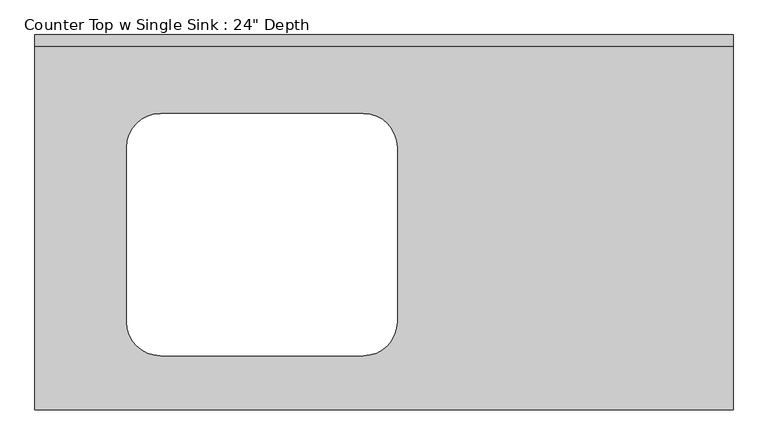
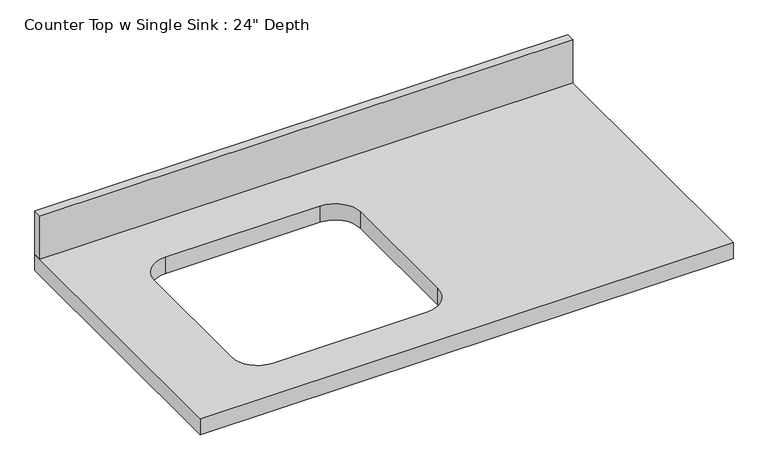
"""IFC4 building model written with IfcOpenShell, lengths in millimetres: furniture geometry."""

import ifcopenshell
import ifcopenshell.guid

model = None  # the IFC model being written
_history = None  # IfcOwnerHistory: only IFC2X3 demands one
_inside = {}  # id of a spatial element -> (the spatial element, [elements in it])
_under = {}  # id of a project, library or spatial element -> (it, [spatial elements below it])
_declared = {}  # id of a project -> (the project, [libraries it declares])
_typed = {}  # id of a type object -> (the type object, [elements of that type])
_made_of = {}  # id of a material, layer set ... -> (it, [elements and type objects made of it])


def new_model(schema):
    """Start an empty IFC model of exactly this schema.

    Asked for "IFC4X3", IfcOpenShell would pick the latest addendum, in which some entities
    have other attributes; the version numbers below select the first issue.
    IFC2X3 requires an IfcOwnerHistory on every rooted entity: one is made here for all.
    """
    global model, _history
    if schema == "IFC4X3":
        model = ifcopenshell.file(schema_version=(4, 3, 0, 0))
    else:
        model = ifcopenshell.file(schema=schema)
    _inside.clear()
    _under.clear()
    _declared.clear()
    _typed.clear()
    _made_of.clear()
    _history = None
    if model.schema == "IFC2X3":
        org = make("IfcOrganization", Name="unknown")
        user = make(
            "IfcPersonAndOrganization",
            ThePerson=make("IfcPerson", FamilyName="unknown"),
            TheOrganization=org,
        )
        app = make(
            "IfcApplication",
            ApplicationDeveloper=org,
            Version="unknown",
            ApplicationFullName="unknown",
            ApplicationIdentifier="unknown",
        )
        _history = make(
            "IfcOwnerHistory",
            OwningUser=user,
            OwningApplication=app,
            ChangeAction="ADDED",
            CreationDate=0,
        )
    return model


def make(cls, **values):
    """One entity of the class cls with the attributes given. An attribute that is None is left unset."""
    return model.create_entity(
        cls, **{name: value for name, value in values.items() if value is not None}
    )


def rooted(cls, **values):
    """An entity with a GlobalId (a new one), such as an element, a storey or a relation."""
    return make(cls, GlobalId=ifcopenshell.guid.new(), OwnerHistory=_history, **values)


def si_unit(unit_type, name, prefix=None):
    """IfcSIUnit, for example si_unit("LENGTHUNIT", "METRE", prefix="MILLI")."""
    return make("IfcSIUnit", UnitType=unit_type, Prefix=prefix, Name=name)


def assignment(units):
    """IfcUnitAssignment: the units of a project."""
    return None if units is None else make("IfcUnitAssignment", Units=units)


def point(xyz):
    """IfcCartesianPoint."""
    return None if xyz is None else make("IfcCartesianPoint", Coordinates=xyz)


def direction(xyz):
    """IfcDirection."""
    return None if xyz is None else make("IfcDirection", DirectionRatios=xyz)


def frame(location, z_axis=None, x_axis=None):
    """IfcAxis2Placement3D, a coordinate frame: its origin and axes. An axis left out is left unset."""
    return make(
        "IfcAxis2Placement3D",
        Location=point(location),
        Axis=direction(z_axis),
        RefDirection=direction(x_axis),
    )


def frame_2d(location, x_axis=None):
    """IfcAxis2Placement2D, a coordinate frame in the plane: its origin and x axis."""
    return make(
        "IfcAxis2Placement2D", Location=point(location), RefDirection=direction(x_axis)
    )


def origin():
    """The frame at (0, 0, 0) with its axes left unset."""
    return frame((0.0, 0.0, 0.0))


def place(relative_to, where):
    """IfcLocalPlacement: puts the frame where relative to a parent placement (None: the world)."""
    return make(
        "IfcLocalPlacement", PlacementRelTo=relative_to, RelativePlacement=where
    )


def context(
    kind, dimensions, precision=None, world=None, true_north=None, identifier=None
):
    """IfcGeometricRepresentationContext, for example the 3D "Model" context."""
    return make(
        "IfcGeometricRepresentationContext",
        ContextIdentifier=identifier,
        ContextType=kind,
        CoordinateSpaceDimension=dimensions,
        Precision=precision,
        WorldCoordinateSystem=world,
        TrueNorth=true_north,
    )


def project(units=None, contexts=None):
    """IfcProject with its units and contexts."""
    return rooted(
        "IfcProject",
        Name="project",
        RepresentationContexts=contexts,
        UnitsInContext=assignment(units),
    )


def spatial(cls, under=None, at=None, **own):
    """A site, building, storey or space (cls), placed at a placement, below another one or the project."""
    s = rooted(cls, ObjectPlacement=at, **own)
    if under is not None:
        _under.setdefault(under.id(), (under, []))[1].append(s)
    return s


def polyline(points):
    """IfcPolyline through the points."""
    return make("IfcPolyline", Points=[point(p) for p in points])


def circle_curve(where, radius):
    """IfcCircle in the frame where."""
    return make("IfcCircle", Position=where, Radius=radius)


def trimmed(basis, trim1, trim2, sense, master):
    """IfcTrimmedCurve: the piece of a basis curve between two trims."""
    return make(
        "IfcTrimmedCurve",
        BasisCurve=basis,
        Trim1=trim1,
        Trim2=trim2,
        SenseAgreement=sense,
        MasterRepresentation=master,
    )


def segment(curve, same_sense, transition):
    """IfcCompositeCurveSegment."""
    return make(
        "IfcCompositeCurveSegment",
        Transition=transition,
        SameSense=same_sense,
        ParentCurve=curve,
    )


def composite_curve(segments, self_intersect=None):
    """IfcCompositeCurve: segments joined end to end."""
    return make("IfcCompositeCurve", Segments=segments, SelfIntersect=self_intersect)


def outline(outer, holes=None, kind="AREA"):
    """IfcArbitraryClosedProfileDef: a profile drawn as a closed curve; with holes, ...WithVoids."""
    if holes is None:
        return make("IfcArbitraryClosedProfileDef", ProfileType=kind, OuterCurve=outer)
    return make(
        "IfcArbitraryProfileDefWithVoids",
        ProfileType=kind,
        OuterCurve=outer,
        InnerCurves=holes,
    )


def extrude(swept, where, along, depth):
    """IfcExtrudedAreaSolid: the profile swept, set in the frame where, extruded along a direction by depth."""
    return make(
        "IfcExtrudedAreaSolid",
        SweptArea=swept,
        Position=where,
        ExtrudedDirection=direction(along),
        Depth=depth,
    )


def shape(context_of_items, identifier, shape_type, items):
    """IfcShapeRepresentation: the items that make up one representation, for example the "Body"."""
    return make(
        "IfcShapeRepresentation",
        ContextOfItems=context_of_items,
        RepresentationIdentifier=identifier,
        RepresentationType=shape_type,
        Items=items,
    )


def source(mapping_origin, context_of_items, identifier, shape_type, items):
    """IfcRepresentationMap: a shape defined once, which mapped items show again and again."""
    return make(
        "IfcRepresentationMap",
        MappingOrigin=mapping_origin,
        MappedRepresentation=shape(context_of_items, identifier, shape_type, items),
    )


def transform(
    local_origin,
    x_axis=None,
    y_axis=None,
    z_axis=None,
    scale=None,
    scale2=None,
    scale3=None,
    uniform=True,
):
    """IfcCartesianTransformationOperator3D, or its non-uniform kind. x_axis, y_axis, z_axis: its Axis1, 2, 3."""
    if uniform:
        return make(
            "IfcCartesianTransformationOperator3D",
            Axis1=direction(x_axis),
            Axis2=direction(y_axis),
            LocalOrigin=point(local_origin),
            Scale=scale,
            Axis3=direction(z_axis),
        )
    return make(
        "IfcCartesianTransformationOperator3DnonUniform",
        Axis1=direction(x_axis),
        Axis2=direction(y_axis),
        LocalOrigin=point(local_origin),
        Scale=scale,
        Axis3=direction(z_axis),
        Scale2=scale2,
        Scale3=scale3,
    )


def mapped(mapping_source, mapping_target):
    """IfcMappedItem: shows the shape of a source again, moved by a transform."""
    return make(
        "IfcMappedItem", MappingSource=mapping_source, MappingTarget=mapping_target
    )


def made_of(thing, what):
    """Note that an element or type object is made of a material, layer set ...; save() writes the relation."""
    if what is not None:
        _made_of.setdefault(what.id(), (what, []))[1].append(thing)
    return thing


def element(
    cls,
    number,
    at=None,
    inside=None,
    cuts=None,
    type_object=None,
    material=None,
    context=None,
    identifier="Body",
    shape_type=None,
    held_by="IfcProductDefinitionShape",
    body=None,
    shapes=None,
    **own,
):
    """One element of the class cls, such as IfcWall. Its Tag is "e" and its number.

    at: its placement. inside: the storey or other place that contains it. cuts: it is an
    opening in that element (IfcRelVoidsElement). A single representation is given by context,
    identifier, shape_type and body (its items); several are given by shapes. held_by: the class
    of the entity that holds the representations. save() writes the other relations.
    """
    e = rooted(cls, Tag="e%d" % number, ObjectPlacement=at, **own)
    if body is not None:
        shapes = [shape(context, identifier, shape_type, body)]
    if shapes is not None:
        e.Representation = make(held_by, Representations=shapes)
    if inside is not None:
        _inside.setdefault(inside.id(), (inside, []))[1].append(e)
    if cuts is not None:
        rooted(
            "IfcRelVoidsElement", RelatingBuildingElement=cuts, RelatedOpeningElement=e
        )
    if type_object is not None:
        _typed.setdefault(type_object.id(), (type_object, []))[1].append(e)
    return made_of(e, material)


def aggregate(whole, parts):
    """IfcRelAggregates: a whole, such as a stair, and the parts it consists of."""
    return rooted("IfcRelAggregates", RelatingObject=whole, RelatedObjects=parts)


def save(model, path):
    """Write the relations noted so far, then the file.

    IfcRelAggregates (storeys below a building ...), IfcRelContainedInSpatialStructure (elements
    in a storey), IfcRelDefinesByType, IfcRelAssociatesMaterial and IfcRelDeclares: one each for
    every whole, place, type object, material and project.
    """
    for whole, parts in _under.values():
        aggregate(whole, parts)
    for where, things in _inside.values():
        rooted(
            "IfcRelContainedInSpatialStructure",
            RelatedElements=things,
            RelatingStructure=where,
        )
    for kind, things in _typed.values():
        rooted("IfcRelDefinesByType", RelatedObjects=things, RelatingType=kind)
    for what, things in _made_of.values():
        rooted("IfcRelAssociatesMaterial", RelatedObjects=things, RelatingMaterial=what)
    for by, libraries in _declared.values():
        rooted("IfcRelDeclares", RelatingContext=by, RelatedDefinitions=libraries)
    model.write(path)


def furniture_44c84f27(model_context):
    return source(origin(), model_context, "Body", "SweptSolid", [
        extrude(outline(polyline([(-19.3622951, 0.0), (-19.3622951, -635.0), (-1200.4622951, -635.0), (-1200.4622951, 0.0), (-19.3622951, 0.0)]), holes=[composite_curve([segment(trimmed(circle_curve(frame_2d((-987.8599952, -486.2327941)), 57.15), [point((-1045.0099952, -486.2327941))], [point((-987.8599952, -543.3827941))], True, "CARTESIAN"), True, "CONTINUOUS"), segment(polyline([(-987.8599952, -543.3827941), (-644.951314, -543.3827941)]), True, "CONTINUOUS"), segment(trimmed(circle_curve(frame_2d((-644.951314, -486.2327941)), 57.15), [point((-644.951314, -543.3827941))], [point((-587.801314, -486.2327941))], True, "CARTESIAN"), True, "CONTINUOUS"), segment(polyline([(-587.801314, -486.2327941), (-587.801314, -190.5)]), True, "CONTINUOUS"), segment(trimmed(circle_curve(frame_2d((-644.951314, -190.5)), 57.15), [point((-587.801314, -190.5))], [point((-644.951314, -133.35))], True, "CARTESIAN"), True, "CONTINUOUS"), segment(polyline([(-644.951314, -133.35), (-987.8599952, -133.35)]), True, "CONTINUOUS"), segment(trimmed(circle_curve(frame_2d((-987.8599952, -190.5)), 57.15), [point((-987.8599952, -133.35))], [point((-1045.0099952, -190.5))], True, "CARTESIAN"), True, "CONTINUOUS"), segment(polyline([(-1045.0099952, -190.5), (-1045.0099952, -486.2327941)]), True, "CONTINUOUS")], self_intersect=False)]), frame((0.0, 0.0, 876.3), z_axis=(0.0, 0.0, 1.0), x_axis=(1.0, 0.0, 0.0)), (0.0, 0.0, 1.0), 38.1),
        extrude(outline(polyline([(-1200.4622951, 0.0), (-19.3622951, 0.0), (-19.3622951, -19.05), (-1200.4622951, -19.05), (-1200.4622951, 0.0)])), frame((0.0, 0.0, 914.4), z_axis=(0.0, 0.0, 1.0), x_axis=(1.0, 0.0, 0.0)), (0.0, 0.0, 1.0), 101.6),
    ])


if __name__ == "__main__":
    model = new_model("IFC4")
    model_context = context("Model", 3, world=origin())
    ifc_project = project(units=[si_unit("LENGTHUNIT", "METRE", prefix="MILLI")], contexts=[model_context])
    site = spatial("IfcSite", under=ifc_project)
    building = spatial("IfcBuilding", under=site)
    placement = place(None, origin())
    furniture_shape = furniture_44c84f27(model_context)
    element("IfcFurniture", 1, ObjectType="Counter Top w Single Sink : 24\" Depth", at=placement, inside=building, context=model_context, shape_type="MappedRepresentation", body=[
        mapped(furniture_shape, transform((0.0, 0.0, 0.0), x_axis=(1.0, 0.0, 0.0), y_axis=(0.0, 1.0, 0.0), z_axis=(0.0, 0.0, 1.0))),
    ])
    save(model, "model.ifc")
